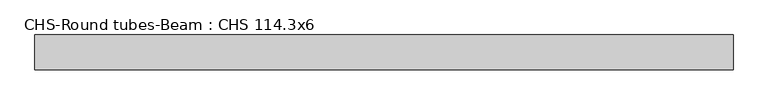
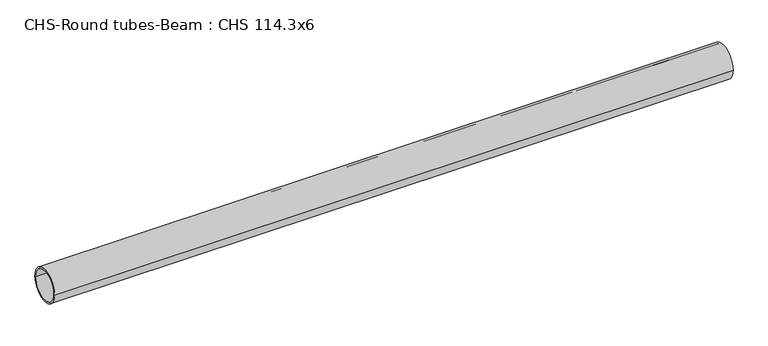
"""IFC4 building model written with IfcOpenShell, lengths in millimetres: beam geometry, CHS-Round tubes-Beam : CHS 114.3x6."""

from ifc_helpers import new_model, si_unit, point, frame, origin, origin_2d, place, context, project, spatial, circle_curve, trimmed, segment, composite_curve, outline, extrude, source, transform, mapped, element, save


def chs_round_tubes_beam_chs_114_3x6_0e8fbc41(model_context):
    return source(origin(), model_context, "Body", "SweptSolid", [
        extrude(outline(composite_curve([segment(trimmed(circle_curve(origin_2d(), 57.15), [point((57.15, 0.0))], [point((-57.15, 0.0))], False, "CARTESIAN"), True, "CONTINUOUS"), segment(trimmed(circle_curve(origin_2d(), 57.15), [point((-57.15, 0.0))], [point((57.15, 0.0))], False, "CARTESIAN"), True, "CONTINUOUS")], self_intersect=False), holes=[composite_curve([segment(trimmed(circle_curve(origin_2d(), 51.15), [point((51.15, 0.0))], [point((-51.15, 0.0))], True, "CARTESIAN"), True, "CONTINUOUS"), segment(trimmed(circle_curve(origin_2d(), 51.15), [point((-51.15, 0.0))], [point((51.15, 0.0))], True, "CARTESIAN"), True, "CONTINUOUS")], self_intersect=False)]), frame((-1104.4470789, 0.0, 0.0), z_axis=(1.0, 0.0, 0.0), x_axis=(0.0, 1.0, 0.0)), (0.0, 0.0, 1.0), 2295.6782591),
    ])


if __name__ == "__main__":
    model = new_model("IFC4")
    model_context = context("Model", 3, world=origin())
    ifc_project = project(units=[si_unit("LENGTHUNIT", "METRE", prefix="MILLI")], contexts=[model_context])
    site = spatial("IfcSite", under=ifc_project)
    building = spatial("IfcBuilding", under=site)
    placement = place(None, origin())
    chs_round_tubes_beam_chs_114_3x6_shape = chs_round_tubes_beam_chs_114_3x6_0e8fbc41(model_context)
    element("IfcBeam", 1, ObjectType="CHS-Round tubes-Beam : CHS 114.3x6", at=placement, inside=building, context=model_context, shape_type="MappedRepresentation", body=[
        mapped(chs_round_tubes_beam_chs_114_3x6_shape, transform((0.0, 0.0, 0.0), x_axis=(1.0, 0.0, 0.0), y_axis=(0.0, 1.0, 0.0), z_axis=(0.0, 0.0, 1.0))),
    ])
    save(model, "model.ifc")
